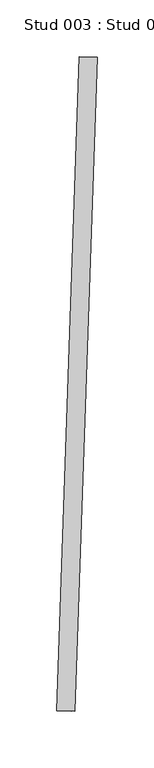
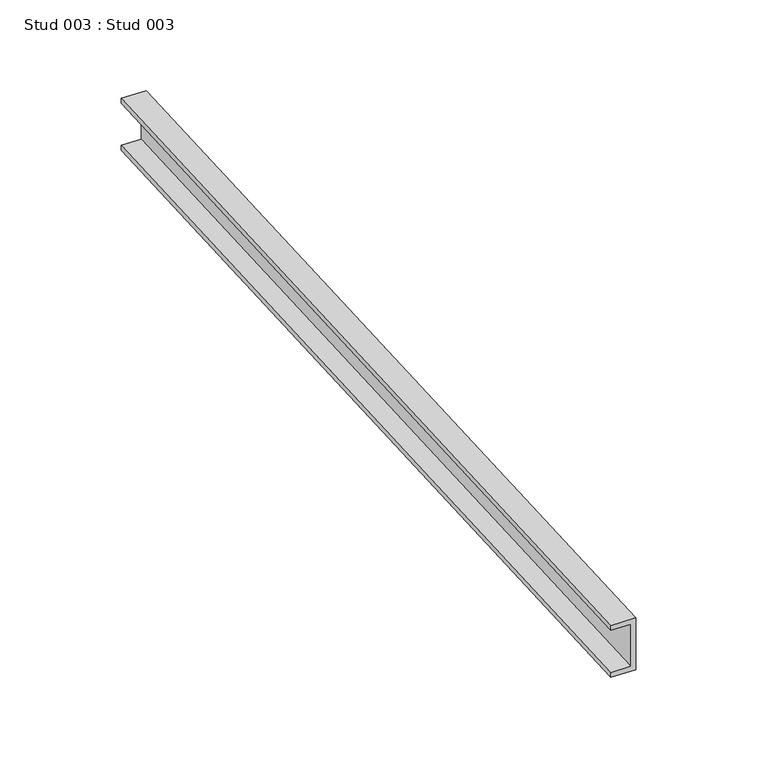
"""IFC4 building model written with IfcOpenShell, lengths in millimetres: proxy geometry, Stud 003 : Stud 003."""

from ifc_helpers import new_model, si_unit, frame, origin, place, context, project, spatial, polyline, outline, extrude, source, transform, mapped, element, save


def stud_003_stud_003_1aeffeb1(model_context):
    return source(origin(), model_context, "Body", "SweptSolid", [
        extrude(outline(polyline([(0.0, 0.0), (0.0, -34.925), (-15.875, -34.925), (-15.875, -31.75), (-3.1749999, -31.75), (-3.1749999, -3.175), (-15.875, -3.175), (-15.875, 0.0), (0.0, 0.0)])), frame((34050.1031598, -15416.3913314, 2974.975), z_axis=(0.034201781836405556, 0.9994149479166374, 0.0), x_axis=(0.9994149479166374, -0.034201781836405556, 0.0)), (0.0, 0.0, 1.0), 576.9016611),
    ])


if __name__ == "__main__":
    model = new_model("IFC4")
    model_context = context("Model", 3, world=origin())
    ifc_project = project(units=[si_unit("LENGTHUNIT", "METRE", prefix="MILLI")], contexts=[model_context])
    site = spatial("IfcSite", under=ifc_project)
    building = spatial("IfcBuilding", under=site)
    placement = place(None, origin())
    stud_003_stud_003_shape = stud_003_stud_003_1aeffeb1(model_context)
    element("IfcBuildingElementProxy", 1, Name="Stud 003 : Stud 003", ObjectType="Stud 003 : Stud 003", at=placement, inside=building, context=model_context, shape_type="MappedRepresentation", body=[
        mapped(stud_003_stud_003_shape, transform((0.0, 0.0, 0.0), x_axis=(1.0, 0.0, 0.0), y_axis=(0.0, 1.0, 0.0), z_axis=(0.0, 0.0, 1.0))),
    ])
    save(model, "model.ifc")
